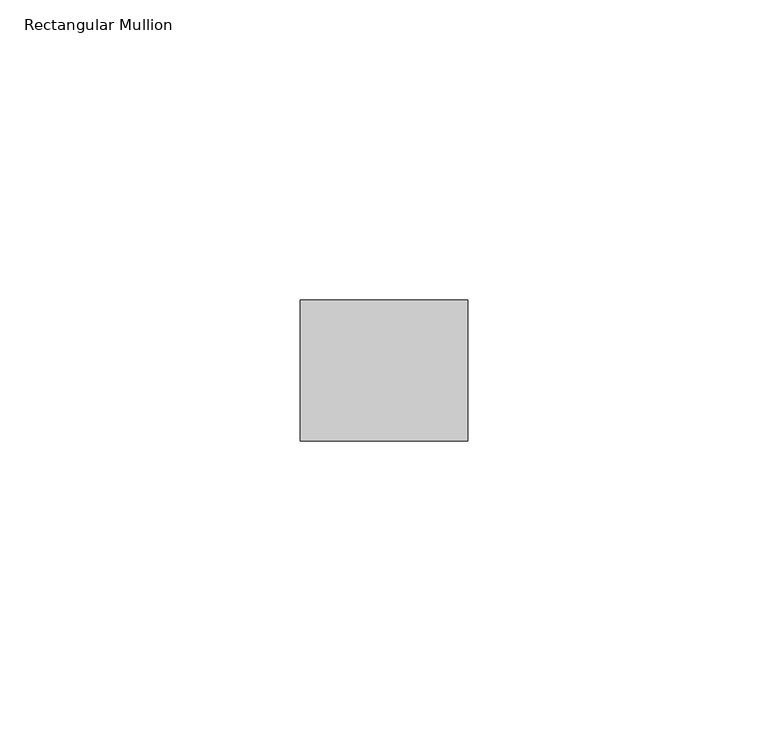
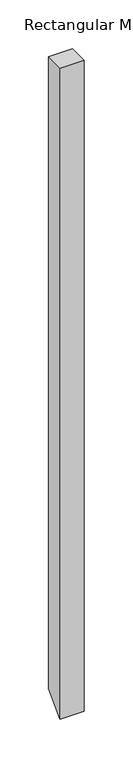
"""IFC4 building model written with IfcOpenShell, lengths in millimetres: member geometry, Rectangular Mullion."""

from ifc_helpers import new_model, si_unit, frame, origin, place, context, project, spatial, polyline, outline, extrude, source, transform, mapped, element, save


def rectangular_mullion_41d1bc4d(model_context):
    return source(origin(), model_context, "Body", "SweptSolid", [
        extrude(outline(polyline([(-11.7474999, 0.0), (11.7474999, 0.0), (11.7474999, -788.3797011), (-11.7474999, -811.8202989), (-11.7474999, 0.0)])), frame((-27.94, 0.0, 0.0), z_axis=(1.0, 0.0, 0.0), x_axis=(0.0, 1.0, 0.0)), (0.0, 0.0, 1.0), 27.94),
    ])


if __name__ == "__main__":
    model = new_model("IFC4")
    model_context = context("Model", 3, world=origin())
    ifc_project = project(units=[si_unit("LENGTHUNIT", "METRE", prefix="MILLI")], contexts=[model_context])
    site = spatial("IfcSite", under=ifc_project)
    building = spatial("IfcBuilding", under=site)
    placement = place(None, origin())
    rectangular_mullion_shape = rectangular_mullion_41d1bc4d(model_context)
    element("IfcMember", 1, ObjectType="Rectangular Mullion", at=placement, inside=building, context=model_context, shape_type="MappedRepresentation", body=[
        mapped(rectangular_mullion_shape, transform((0.0, 0.0, 0.0), x_axis=(1.0, 0.0, 0.0), y_axis=(0.0, 1.0, 0.0), z_axis=(0.0, 0.0, 1.0))),
    ])
    save(model, "model.ifc")
